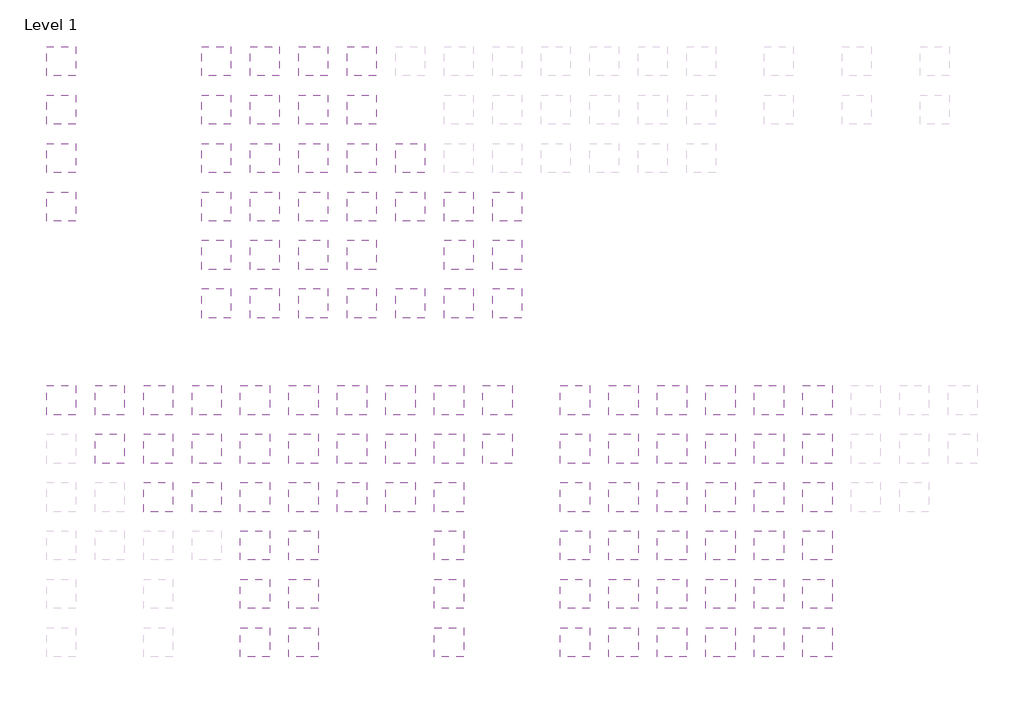
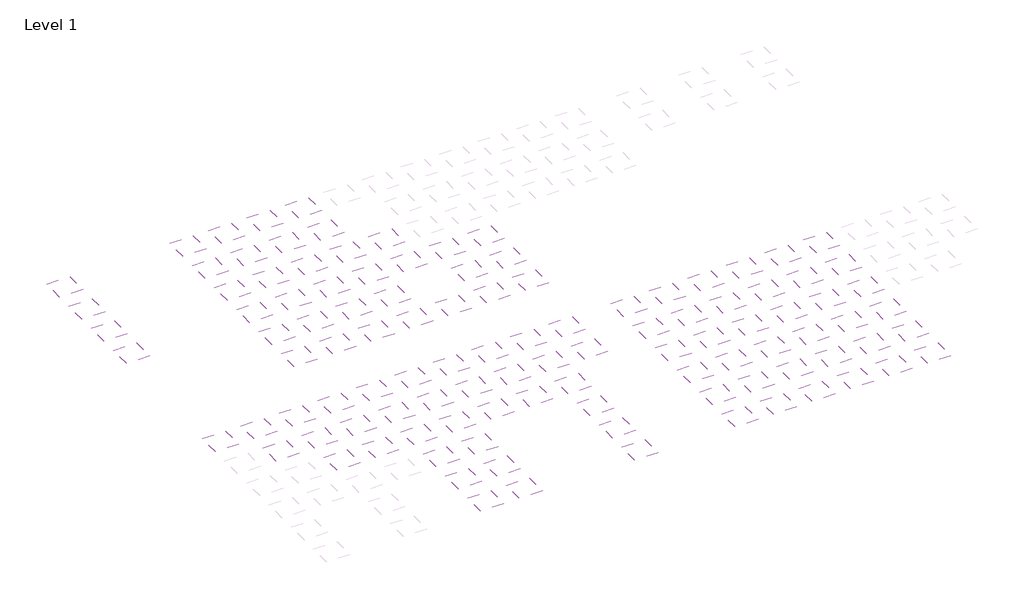
# One storey, part 7 of 90: 108 coverings.
"""IFC4 building model written with IfcOpenShell, lengths in millimetres."""

from ifc_helpers import new_model, si_unit, frame, origin, place, context, project, spatial, polyline, outline, extrude, element, save

model = new_model("IFC4")

# Units and contexts
model_context = context("Model", 3, world=origin())
ifc_project = project(units=[si_unit("LENGTHUNIT", "METRE", prefix="MILLI")], contexts=[model_context])

# Site, building, storey
site = spatial("IfcSite", under=ifc_project)
building = spatial("IfcBuilding", under=site)
storey = spatial("IfcBuildingStorey", under=building, Name="Level 1", Elevation=0.0)

# Coverings
placement = place(None, origin())
element("IfcCovering", 1, at=placement, inside=storey, context=model_context, shape_type="SweptSolid", body=[
    extrude(outline(polyline([(-14078.6111825, 27503.2440705), (-14078.6111825, 24503.2440705), (-17078.6111825, 24503.2440705), (-17078.6111825, 27503.2440705), (-14078.6111825, 27503.2440705)])), frame((0.0, 0.0, 2600.0), z_axis=(0.0, 0.0, 1.0), x_axis=(1.0, 0.0, 0.0)), (0.0, 0.0, 1.0), 38.0),
])
element("IfcCovering", 2, at=placement, inside=storey, context=model_context, shape_type="SweptSolid", body=[
    extrude(outline(polyline([(-4078.6111825, 27503.2440705), (-4078.6111825, 24503.2440705), (-7078.6111825, 24503.2440705), (-7078.6111825, 27503.2440705), (-4078.6111825, 27503.2440705)])), frame((0.0, 0.0, 2600.0), z_axis=(0.0, 0.0, 1.0), x_axis=(1.0, 0.0, 0.0)), (0.0, 0.0, 1.0), 38.0),
])
element("IfcCovering", 3, at=placement, inside=storey, context=model_context, shape_type="SweptSolid", body=[
    extrude(outline(polyline([(-4078.6111825, 17503.2440705), (-4078.6111825, 14503.2440705), (-7078.6111825, 14503.2440705), (-7078.6111825, 17503.2440705), (-4078.6111825, 17503.2440705)])), frame((0.0, 0.0, 2600.0), z_axis=(0.0, 0.0, 1.0), x_axis=(1.0, 0.0, 0.0)), (0.0, 0.0, 1.0), 38.0),
])
element("IfcCovering", 4, at=placement, inside=storey, context=model_context, shape_type="SweptSolid", body=[
    extrude(outline(polyline([(5921.3888175, 27503.2440705), (5921.3888175, 24503.2440705), (2921.3888175, 24503.2440705), (2921.3888175, 27503.2440705), (5921.3888175, 27503.2440705)])), frame((0.0, 0.0, 2600.0), z_axis=(0.0, 0.0, 1.0), x_axis=(1.0, 0.0, 0.0)), (0.0, 0.0, 1.0), 38.0),
])
element("IfcCovering", 5, at=placement, inside=storey, context=model_context, shape_type="SweptSolid", body=[
    extrude(outline(polyline([(5921.3888175, 17503.2440705), (5921.3888175, 14503.2440705), (2921.3888175, 14503.2440705), (2921.3888175, 17503.2440705), (5921.3888175, 17503.2440705)])), frame((0.0, 0.0, 2600.0), z_axis=(0.0, 0.0, 1.0), x_axis=(1.0, 0.0, 0.0)), (0.0, 0.0, 1.0), 38.0),
])
element("IfcCovering", 6, at=placement, inside=storey, context=model_context, shape_type="SweptSolid", body=[
    extrude(outline(polyline([(5921.3888175, 12503.2440705), (5921.3888175, 9503.2440705), (2921.3888175, 9503.2440705), (2921.3888175, 12503.2440705), (5921.3888175, 12503.2440705)])), frame((0.0, 0.0, 2600.0), z_axis=(0.0, 0.0, 1.0), x_axis=(1.0, 0.0, 0.0)), (0.0, 0.0, 1.0), 38.0),
])
element("IfcCovering", 7, at=placement, inside=storey, context=model_context, shape_type="SweptSolid", body=[
    extrude(outline(polyline([(5921.3888175, 2503.2440705), (5921.3888175, -496.7559295), (2921.3888175, -496.7559295), (2921.3888175, 2503.2440705), (5921.3888175, 2503.2440705)])), frame((0.0, 0.0, 2600.0), z_axis=(0.0, 0.0, 1.0), x_axis=(1.0, 0.0, 0.0)), (0.0, 0.0, 1.0), 38.0),
])
element("IfcCovering", 8, at=placement, inside=storey, context=model_context, shape_type="SweptSolid", body=[
    extrude(outline(polyline([(10921.3888175, 27503.2440705), (10921.3888175, 24503.2440705), (7921.3888175, 24503.2440705), (7921.3888175, 27503.2440705), (10921.3888175, 27503.2440705)])), frame((0.0, 0.0, 2600.0), z_axis=(0.0, 0.0, 1.0), x_axis=(1.0, 0.0, 0.0)), (0.0, 0.0, 1.0), 38.0),
])
element("IfcCovering", 9, at=placement, inside=storey, context=model_context, shape_type="SweptSolid", body=[
    extrude(outline(polyline([(10921.3888175, 17503.2440705), (10921.3888175, 14503.2440705), (7921.3888175, 14503.2440705), (7921.3888175, 17503.2440705), (10921.3888175, 17503.2440705)])), frame((0.0, 0.0, 2600.0), z_axis=(0.0, 0.0, 1.0), x_axis=(1.0, 0.0, 0.0)), (0.0, 0.0, 1.0), 38.0),
])
element("IfcCovering", 10, at=placement, inside=storey, context=model_context, shape_type="SweptSolid", body=[
    extrude(outline(polyline([(10921.3888175, 12503.2440705), (10921.3888175, 9503.2440705), (7921.3888175, 9503.2440705), (7921.3888175, 12503.2440705), (10921.3888175, 12503.2440705)])), frame((0.0, 0.0, 2600.0), z_axis=(0.0, 0.0, 1.0), x_axis=(1.0, 0.0, 0.0)), (0.0, 0.0, 1.0), 38.0),
])
element("IfcCovering", 11, at=placement, inside=storey, context=model_context, shape_type="SweptSolid", body=[
    extrude(outline(polyline([(10921.3888175, 2503.2440705), (10921.3888175, -496.7559295), (7921.3888175, -496.7559295), (7921.3888175, 2503.2440705), (10921.3888175, 2503.2440705)])), frame((0.0, 0.0, 2600.0), z_axis=(0.0, 0.0, 1.0), x_axis=(1.0, 0.0, 0.0)), (0.0, 0.0, 1.0), 38.0),
])
element("IfcCovering", 12, at=placement, inside=storey, context=model_context, shape_type="SweptSolid", body=[
    extrude(outline(polyline([(15921.3888175, 27503.2440705), (15921.3888175, 24503.2440705), (12921.3888175, 24503.2440705), (12921.3888175, 27503.2440705), (15921.3888175, 27503.2440705)])), frame((0.0, 0.0, 2600.0), z_axis=(0.0, 0.0, 1.0), x_axis=(1.0, 0.0, 0.0)), (0.0, 0.0, 1.0), 38.0),
])
element("IfcCovering", 13, at=placement, inside=storey, context=model_context, shape_type="SweptSolid", body=[
    extrude(outline(polyline([(15921.3888175, 17503.2440705), (15921.3888175, 14503.2440705), (12921.3888175, 14503.2440705), (12921.3888175, 17503.2440705), (15921.3888175, 17503.2440705)])), frame((0.0, 0.0, 2600.0), z_axis=(0.0, 0.0, 1.0), x_axis=(1.0, 0.0, 0.0)), (0.0, 0.0, 1.0), 38.0),
])
element("IfcCovering", 14, at=placement, inside=storey, context=model_context, shape_type="SweptSolid", body=[
    extrude(outline(polyline([(20921.3888175, 27503.2440705), (20921.3888175, 24503.2440705), (17921.3888175, 24503.2440705), (17921.3888175, 27503.2440705), (20921.3888175, 27503.2440705)])), frame((0.0, 0.0, 2600.0), z_axis=(0.0, 0.0, 1.0), x_axis=(1.0, 0.0, 0.0)), (0.0, 0.0, 1.0), 48.0),
])
element("IfcCovering", 15, at=placement, inside=storey, context=model_context, shape_type="SweptSolid", body=[
    extrude(outline(polyline([(20921.3888175, 17503.2440705), (20921.3888175, 14503.2440705), (17921.3888175, 14503.2440705), (17921.3888175, 17503.2440705), (20921.3888175, 17503.2440705)])), frame((0.0, 0.0, 2600.0), z_axis=(0.0, 0.0, 1.0), x_axis=(1.0, 0.0, 0.0)), (0.0, 0.0, 1.0), 48.0),
])
element("IfcCovering", 16, at=placement, inside=storey, context=model_context, shape_type="SweptSolid", body=[
    extrude(outline(polyline([(1921.3888175, 62503.2440705), (1921.3888175, 59503.2440705), (-1078.6111825, 59503.2440705), (-1078.6111825, 62503.2440705), (1921.3888175, 62503.2440705)])), frame((0.0, 0.0, 2600.0), z_axis=(0.0, 0.0, 1.0), x_axis=(1.0, 0.0, 0.0)), (0.0, 0.0, 1.0), 38.0),
])
element("IfcCovering", 17, at=placement, inside=storey, context=model_context, shape_type="SweptSolid", body=[
    extrude(outline(polyline([(1921.3888175, 57503.2440705), (1921.3888175, 54503.2440705), (-1078.6111825, 54503.2440705), (-1078.6111825, 57503.2440705), (1921.3888175, 57503.2440705)])), frame((0.0, 0.0, 2600.0), z_axis=(0.0, 0.0, 1.0), x_axis=(1.0, 0.0, 0.0)), (0.0, 0.0, 1.0), 38.0),
])
element("IfcCovering", 18, at=placement, inside=storey, context=model_context, shape_type="SweptSolid", body=[
    extrude(outline(polyline([(38921.3888175, 27503.2440705), (38921.3888175, 24503.2440705), (35921.3888175, 24503.2440705), (35921.3888175, 27503.2440705), (38921.3888175, 27503.2440705)])), frame((0.0, 0.0, 2600.0), z_axis=(0.0, 0.0, 1.0), x_axis=(1.0, 0.0, 0.0)), (0.0, 0.0, 1.0), 38.0),
])
element("IfcCovering", 19, at=placement, inside=storey, context=model_context, shape_type="SweptSolid", body=[
    extrude(outline(polyline([(38921.3888175, 17503.2440705), (38921.3888175, 14503.2440705), (35921.3888175, 14503.2440705), (35921.3888175, 17503.2440705), (38921.3888175, 17503.2440705)])), frame((0.0, 0.0, 2600.0), z_axis=(0.0, 0.0, 1.0), x_axis=(1.0, 0.0, 0.0)), (0.0, 0.0, 1.0), 38.0),
])
element("IfcCovering", 20, at=placement, inside=storey, context=model_context, shape_type="SweptSolid", body=[
    extrude(outline(polyline([(38921.3888175, 12503.2440705), (38921.3888175, 9503.2440705), (35921.3888175, 9503.2440705), (35921.3888175, 12503.2440705), (38921.3888175, 12503.2440705)])), frame((0.0, 0.0, 2600.0), z_axis=(0.0, 0.0, 1.0), x_axis=(1.0, 0.0, 0.0)), (0.0, 0.0, 1.0), 38.0),
])
element("IfcCovering", 21, at=placement, inside=storey, context=model_context, shape_type="SweptSolid", body=[
    extrude(outline(polyline([(38921.3888175, 2503.2440705), (38921.3888175, -496.7559295), (35921.3888175, -496.7559295), (35921.3888175, 2503.2440705), (38921.3888175, 2503.2440705)])), frame((0.0, 0.0, 2600.0), z_axis=(0.0, 0.0, 1.0), x_axis=(1.0, 0.0, 0.0)), (0.0, 0.0, 1.0), 38.0),
])
element("IfcCovering", 22, at=placement, inside=storey, context=model_context, shape_type="SweptSolid", body=[
    extrude(outline(polyline([(48921.3888175, 27503.2440705), (48921.3888175, 24503.2440705), (45921.3888175, 24503.2440705), (45921.3888175, 27503.2440705), (48921.3888175, 27503.2440705)])), frame((0.0, 0.0, 2600.0), z_axis=(0.0, 0.0, 1.0), x_axis=(1.0, 0.0, 0.0)), (0.0, 0.0, 1.0), 38.0),
])
element("IfcCovering", 23, at=placement, inside=storey, context=model_context, shape_type="SweptSolid", body=[
    extrude(outline(polyline([(48921.3888175, 17503.2440705), (48921.3888175, 14503.2440705), (45921.3888175, 14503.2440705), (45921.3888175, 17503.2440705), (48921.3888175, 17503.2440705)])), frame((0.0, 0.0, 2600.0), z_axis=(0.0, 0.0, 1.0), x_axis=(1.0, 0.0, 0.0)), (0.0, 0.0, 1.0), 38.0),
])
element("IfcCovering", 24, at=placement, inside=storey, context=model_context, shape_type="SweptSolid", body=[
    extrude(outline(polyline([(48921.3888175, 12503.2440705), (48921.3888175, 9503.2440705), (45921.3888175, 9503.2440705), (45921.3888175, 12503.2440705), (48921.3888175, 12503.2440705)])), frame((0.0, 0.0, 2600.0), z_axis=(0.0, 0.0, 1.0), x_axis=(1.0, 0.0, 0.0)), (0.0, 0.0, 1.0), 38.0),
])
element("IfcCovering", 25, at=placement, inside=storey, context=model_context, shape_type="SweptSolid", body=[
    extrude(outline(polyline([(48921.3888175, 2503.2440705), (48921.3888175, -496.7559295), (45921.3888175, -496.7559295), (45921.3888175, 2503.2440705), (48921.3888175, 2503.2440705)])), frame((0.0, 0.0, 2600.0), z_axis=(0.0, 0.0, 1.0), x_axis=(1.0, 0.0, 0.0)), (0.0, 0.0, 1.0), 38.0),
])
element("IfcCovering", 26, at=placement, inside=storey, context=model_context, shape_type="SweptSolid", body=[
    extrude(outline(polyline([(58921.3888175, 27503.2440705), (58921.3888175, 24503.2440705), (55921.3888175, 24503.2440705), (55921.3888175, 27503.2440705), (58921.3888175, 27503.2440705)])), frame((0.0, 0.0, 2600.0), z_axis=(0.0, 0.0, 1.0), x_axis=(1.0, 0.0, 0.0)), (0.0, 0.0, 1.0), 38.0),
])
element("IfcCovering", 27, at=placement, inside=storey, context=model_context, shape_type="SweptSolid", body=[
    extrude(outline(polyline([(58921.3888175, 17503.2440705), (58921.3888175, 14503.2440705), (55921.3888175, 14503.2440705), (55921.3888175, 17503.2440705), (58921.3888175, 17503.2440705)])), frame((0.0, 0.0, 2600.0), z_axis=(0.0, 0.0, 1.0), x_axis=(1.0, 0.0, 0.0)), (0.0, 0.0, 1.0), 38.0),
])
element("IfcCovering", 28, at=placement, inside=storey, context=model_context, shape_type="SweptSolid", body=[
    extrude(outline(polyline([(58921.3888175, 12503.2440705), (58921.3888175, 9503.2440705), (55921.3888175, 9503.2440705), (55921.3888175, 12503.2440705), (58921.3888175, 12503.2440705)])), frame((0.0, 0.0, 2600.0), z_axis=(0.0, 0.0, 1.0), x_axis=(1.0, 0.0, 0.0)), (0.0, 0.0, 1.0), 38.0),
])
element("IfcCovering", 29, at=placement, inside=storey, context=model_context, shape_type="SweptSolid", body=[
    extrude(outline(polyline([(58921.3888175, 2503.2440705), (58921.3888175, -496.7559295), (55921.3888175, -496.7559295), (55921.3888175, 2503.2440705), (58921.3888175, 2503.2440705)])), frame((0.0, 0.0, 2600.0), z_axis=(0.0, 0.0, 1.0), x_axis=(1.0, 0.0, 0.0)), (0.0, 0.0, 1.0), 38.0),
])
element("IfcCovering", 30, at=placement, inside=storey, context=model_context, shape_type="SweptSolid", body=[
    extrude(outline(polyline([(63921.3888175, 27503.2440705), (63921.3888175, 24503.2440705), (60921.3888175, 24503.2440705), (60921.3888175, 27503.2440705), (63921.3888175, 27503.2440705)])), frame((0.0, 0.0, 2600.0), z_axis=(0.0, 0.0, 1.0), x_axis=(1.0, 0.0, 0.0)), (0.0, 0.0, 1.0), 38.0),
])
element("IfcCovering", 31, at=placement, inside=storey, context=model_context, shape_type="SweptSolid", body=[
    extrude(outline(polyline([(63921.3888175, 17503.2440705), (63921.3888175, 14503.2440705), (60921.3888175, 14503.2440705), (60921.3888175, 17503.2440705), (63921.3888175, 17503.2440705)])), frame((0.0, 0.0, 2600.0), z_axis=(0.0, 0.0, 1.0), x_axis=(1.0, 0.0, 0.0)), (0.0, 0.0, 1.0), 38.0),
])
element("IfcCovering", 32, at=placement, inside=storey, context=model_context, shape_type="SweptSolid", body=[
    extrude(outline(polyline([(63921.3888175, 12503.2440705), (63921.3888175, 9503.2440705), (60921.3888175, 9503.2440705), (60921.3888175, 12503.2440705), (63921.3888175, 12503.2440705)])), frame((0.0, 0.0, 2600.0), z_axis=(0.0, 0.0, 1.0), x_axis=(1.0, 0.0, 0.0)), (0.0, 0.0, 1.0), 38.0),
])
element("IfcCovering", 33, at=placement, inside=storey, context=model_context, shape_type="SweptSolid", body=[
    extrude(outline(polyline([(63921.3888175, 2503.2440705), (63921.3888175, -496.7559295), (60921.3888175, -496.7559295), (60921.3888175, 2503.2440705), (63921.3888175, 2503.2440705)])), frame((0.0, 0.0, 2600.0), z_axis=(0.0, 0.0, 1.0), x_axis=(1.0, 0.0, 0.0)), (0.0, 0.0, 1.0), 38.0),
])
element("IfcCovering", 34, at=placement, inside=storey, context=model_context, shape_type="SweptSolid", body=[
    extrude(outline(polyline([(-4078.6111825, 22503.2440705), (-4078.6111825, 19503.2440705), (-7078.6111825, 19503.2440705), (-7078.6111825, 22503.2440705), (-4078.6111825, 22503.2440705)])), frame((0.0, 0.0, 2600.0), z_axis=(0.0, 0.0, 1.0), x_axis=(1.0, 0.0, 0.0)), (0.0, 0.0, 1.0), 38.0),
])
element("IfcCovering", 35, at=placement, inside=storey, context=model_context, shape_type="SweptSolid", body=[
    extrude(outline(polyline([(5921.3888175, 22503.2440705), (5921.3888175, 19503.2440705), (2921.3888175, 19503.2440705), (2921.3888175, 22503.2440705), (5921.3888175, 22503.2440705)])), frame((0.0, 0.0, 2600.0), z_axis=(0.0, 0.0, 1.0), x_axis=(1.0, 0.0, 0.0)), (0.0, 0.0, 1.0), 38.0),
])
element("IfcCovering", 36, at=placement, inside=storey, context=model_context, shape_type="SweptSolid", body=[
    extrude(outline(polyline([(10921.3888175, 22503.2440705), (10921.3888175, 19503.2440705), (7921.3888175, 19503.2440705), (7921.3888175, 22503.2440705), (10921.3888175, 22503.2440705)])), frame((0.0, 0.0, 2600.0), z_axis=(0.0, 0.0, 1.0), x_axis=(1.0, 0.0, 0.0)), (0.0, 0.0, 1.0), 38.0),
])
element("IfcCovering", 37, at=placement, inside=storey, context=model_context, shape_type="SweptSolid", body=[
    extrude(outline(polyline([(20921.3888175, 22503.2440705), (20921.3888175, 19503.2440705), (17921.3888175, 19503.2440705), (17921.3888175, 22503.2440705), (20921.3888175, 22503.2440705)])), frame((0.0, 0.0, 2600.0), z_axis=(0.0, 0.0, 1.0), x_axis=(1.0, 0.0, 0.0)), (0.0, 0.0, 1.0), 48.0),
])
element("IfcCovering", 38, at=placement, inside=storey, context=model_context, shape_type="SweptSolid", body=[
    extrude(outline(polyline([(5921.3888175, 7503.2440705), (5921.3888175, 4503.2440705), (2921.3888175, 4503.2440705), (2921.3888175, 7503.2440705), (5921.3888175, 7503.2440705)])), frame((0.0, 0.0, 2600.0), z_axis=(0.0, 0.0, 1.0), x_axis=(1.0, 0.0, 0.0)), (0.0, 0.0, 1.0), 38.0),
])
element("IfcCovering", 39, at=placement, inside=storey, context=model_context, shape_type="SweptSolid", body=[
    extrude(outline(polyline([(10921.3888175, 7503.2440705), (10921.3888175, 4503.2440705), (7921.3888175, 4503.2440705), (7921.3888175, 7503.2440705), (10921.3888175, 7503.2440705)])), frame((0.0, 0.0, 2600.0), z_axis=(0.0, 0.0, 1.0), x_axis=(1.0, 0.0, 0.0)), (0.0, 0.0, 1.0), 38.0),
])
element("IfcCovering", 40, at=placement, inside=storey, context=model_context, shape_type="SweptSolid", body=[
    extrude(outline(polyline([(15921.3888175, 22503.2440705), (15921.3888175, 19503.2440705), (12921.3888175, 19503.2440705), (12921.3888175, 22503.2440705), (15921.3888175, 22503.2440705)])), frame((0.0, 0.0, 2600.0), z_axis=(0.0, 0.0, 1.0), x_axis=(1.0, 0.0, 0.0)), (0.0, 0.0, 1.0), 38.0),
])
element("IfcCovering", 41, at=placement, inside=storey, context=model_context, shape_type="SweptSolid", body=[
    extrude(outline(polyline([(1921.3888175, 52503.2440705), (1921.3888175, 49503.2440705), (-1078.6111825, 49503.2440705), (-1078.6111825, 52503.2440705), (1921.3888175, 52503.2440705)])), frame((0.0, 0.0, 2600.0), z_axis=(0.0, 0.0, 1.0), x_axis=(1.0, 0.0, 0.0)), (0.0, 0.0, 1.0), 38.0),
])
element("IfcCovering", 42, at=placement, inside=storey, context=model_context, shape_type="SweptSolid", body=[
    extrude(outline(polyline([(1921.3888175, 47503.2440705), (1921.3888175, 44503.2440705), (-1078.6111825, 44503.2440705), (-1078.6111825, 47503.2440705), (1921.3888175, 47503.2440705)])), frame((0.0, 0.0, 2600.0), z_axis=(0.0, 0.0, 1.0), x_axis=(1.0, 0.0, 0.0)), (0.0, 0.0, 1.0), 38.0),
])
element("IfcCovering", 43, at=placement, inside=storey, context=model_context, shape_type="SweptSolid", body=[
    extrude(outline(polyline([(1921.3888175, 42503.2440705), (1921.3888175, 39503.2440705), (-1078.6111825, 39503.2440705), (-1078.6111825, 42503.2440705), (1921.3888175, 42503.2440705)])), frame((0.0, 0.0, 2600.0), z_axis=(0.0, 0.0, 1.0), x_axis=(1.0, 0.0, 0.0)), (0.0, 0.0, 1.0), 38.0),
])
element("IfcCovering", 44, at=placement, inside=storey, context=model_context, shape_type="SweptSolid", body=[
    extrude(outline(polyline([(1921.3888175, 37503.2440705), (1921.3888175, 34503.2440705), (-1078.6111825, 34503.2440705), (-1078.6111825, 37503.2440705), (1921.3888175, 37503.2440705)])), frame((0.0, 0.0, 2600.0), z_axis=(0.0, 0.0, 1.0), x_axis=(1.0, 0.0, 0.0)), (0.0, 0.0, 1.0), 38.0),
])
element("IfcCovering", 45, at=placement, inside=storey, context=model_context, shape_type="SweptSolid", body=[
    extrude(outline(polyline([(11921.3888175, 62503.2440705), (11921.3888175, 59503.2440705), (8921.3888175, 59503.2440705), (8921.3888175, 62503.2440705), (11921.3888175, 62503.2440705)])), frame((0.0, 0.0, 2600.0), z_axis=(0.0, 0.0, 1.0), x_axis=(1.0, 0.0, 0.0)), (0.0, 0.0, 1.0), 38.0),
])
element("IfcCovering", 46, at=placement, inside=storey, context=model_context, shape_type="SweptSolid", body=[
    extrude(outline(polyline([(11921.3888175, 57503.2440705), (11921.3888175, 54503.2440705), (8921.3888175, 54503.2440705), (8921.3888175, 57503.2440705), (11921.3888175, 57503.2440705)])), frame((0.0, 0.0, 2600.0), z_axis=(0.0, 0.0, 1.0), x_axis=(1.0, 0.0, 0.0)), (0.0, 0.0, 1.0), 38.0),
])
element("IfcCovering", 47, at=placement, inside=storey, context=model_context, shape_type="SweptSolid", body=[
    extrude(outline(polyline([(11921.3888175, 52503.2440705), (11921.3888175, 49503.2440705), (8921.3888175, 49503.2440705), (8921.3888175, 52503.2440705), (11921.3888175, 52503.2440705)])), frame((0.0, 0.0, 2600.0), z_axis=(0.0, 0.0, 1.0), x_axis=(1.0, 0.0, 0.0)), (0.0, 0.0, 1.0), 38.0),
])
element("IfcCovering", 48, at=placement, inside=storey, context=model_context, shape_type="SweptSolid", body=[
    extrude(outline(polyline([(11921.3888175, 47503.2440705), (11921.3888175, 44503.2440705), (8921.3888175, 44503.2440705), (8921.3888175, 47503.2440705), (11921.3888175, 47503.2440705)])), frame((0.0, 0.0, 2600.0), z_axis=(0.0, 0.0, 1.0), x_axis=(1.0, 0.0, 0.0)), (0.0, 0.0, 1.0), 38.0),
])
element("IfcCovering", 49, at=placement, inside=storey, context=model_context, shape_type="SweptSolid", body=[
    extrude(outline(polyline([(11921.3888175, 42503.2440705), (11921.3888175, 39503.2440705), (8921.3888175, 39503.2440705), (8921.3888175, 42503.2440705), (11921.3888175, 42503.2440705)])), frame((0.0, 0.0, 2600.0), z_axis=(0.0, 0.0, 1.0), x_axis=(1.0, 0.0, 0.0)), (0.0, 0.0, 1.0), 38.0),
])
element("IfcCovering", 50, at=placement, inside=storey, context=model_context, shape_type="SweptSolid", body=[
    extrude(outline(polyline([(11921.3888175, 37503.2440705), (11921.3888175, 34503.2440705), (8921.3888175, 34503.2440705), (8921.3888175, 37503.2440705), (11921.3888175, 37503.2440705)])), frame((0.0, 0.0, 2600.0), z_axis=(0.0, 0.0, 1.0), x_axis=(1.0, 0.0, 0.0)), (0.0, 0.0, 1.0), 38.0),
])
element("IfcCovering", 51, at=placement, inside=storey, context=model_context, shape_type="SweptSolid", body=[
    extrude(outline(polyline([(26921.3888175, 47503.2440705), (26921.3888175, 44503.2440705), (23921.3888175, 44503.2440705), (23921.3888175, 47503.2440705), (26921.3888175, 47503.2440705)])), frame((0.0, 0.0, 2600.0), z_axis=(0.0, 0.0, 1.0), x_axis=(1.0, 0.0, 0.0)), (0.0, 0.0, 1.0), 38.0),
])
element("IfcCovering", 52, at=placement, inside=storey, context=model_context, shape_type="SweptSolid", body=[
    extrude(outline(polyline([(26921.3888175, 42503.2440705), (26921.3888175, 39503.2440705), (23921.3888175, 39503.2440705), (23921.3888175, 42503.2440705), (26921.3888175, 42503.2440705)])), frame((0.0, 0.0, 2600.0), z_axis=(0.0, 0.0, 1.0), x_axis=(1.0, 0.0, 0.0)), (0.0, 0.0, 1.0), 38.0),
])
element("IfcCovering", 53, at=placement, inside=storey, context=model_context, shape_type="SweptSolid", body=[
    extrude(outline(polyline([(26921.3888175, 37503.2440705), (26921.3888175, 34503.2440705), (23921.3888175, 34503.2440705), (23921.3888175, 37503.2440705), (26921.3888175, 37503.2440705)])), frame((0.0, 0.0, 2600.0), z_axis=(0.0, 0.0, 1.0), x_axis=(1.0, 0.0, 0.0)), (0.0, 0.0, 1.0), 38.0),
])
element("IfcCovering", 54, at=placement, inside=storey, context=model_context, shape_type="SweptSolid", body=[
    extrude(outline(polyline([(31921.3888175, 47503.2440705), (31921.3888175, 44503.2440705), (28921.3888175, 44503.2440705), (28921.3888175, 47503.2440705), (31921.3888175, 47503.2440705)])), frame((0.0, 0.0, 2600.0), z_axis=(0.0, 0.0, 1.0), x_axis=(1.0, 0.0, 0.0)), (0.0, 0.0, 1.0), 38.0),
])
element("IfcCovering", 55, at=placement, inside=storey, context=model_context, shape_type="SweptSolid", body=[
    extrude(outline(polyline([(31921.3888175, 42503.2440705), (31921.3888175, 39503.2440705), (28921.3888175, 39503.2440705), (28921.3888175, 42503.2440705), (31921.3888175, 42503.2440705)])), frame((0.0, 0.0, 2600.0), z_axis=(0.0, 0.0, 1.0), x_axis=(1.0, 0.0, 0.0)), (0.0, 0.0, 1.0), 38.0),
])
element("IfcCovering", 56, at=placement, inside=storey, context=model_context, shape_type="SweptSolid", body=[
    extrude(outline(polyline([(31921.3888175, 37503.2440705), (31921.3888175, 34503.2440705), (28921.3888175, 34503.2440705), (28921.3888175, 37503.2440705), (31921.3888175, 37503.2440705)])), frame((0.0, 0.0, 2600.0), z_axis=(0.0, 0.0, 1.0), x_axis=(1.0, 0.0, 0.0)), (0.0, 0.0, 1.0), 38.0),
])
element("IfcCovering", 57, at=placement, inside=storey, context=model_context, shape_type="SweptSolid", body=[
    extrude(outline(polyline([(38921.3888175, 22503.2440705), (38921.3888175, 19503.2440705), (35921.3888175, 19503.2440705), (35921.3888175, 22503.2440705), (38921.3888175, 22503.2440705)])), frame((0.0, 0.0, 2600.0), z_axis=(0.0, 0.0, 1.0), x_axis=(1.0, 0.0, 0.0)), (0.0, 0.0, 1.0), 38.0),
])
element("IfcCovering", 58, at=placement, inside=storey, context=model_context, shape_type="SweptSolid", body=[
    extrude(outline(polyline([(48921.3888175, 22503.2440705), (48921.3888175, 19503.2440705), (45921.3888175, 19503.2440705), (45921.3888175, 22503.2440705), (48921.3888175, 22503.2440705)])), frame((0.0, 0.0, 2600.0), z_axis=(0.0, 0.0, 1.0), x_axis=(1.0, 0.0, 0.0)), (0.0, 0.0, 1.0), 38.0),
])
element("IfcCovering", 59, at=placement, inside=storey, context=model_context, shape_type="SweptSolid", body=[
    extrude(outline(polyline([(58921.3888175, 22503.2440705), (58921.3888175, 19503.2440705), (55921.3888175, 19503.2440705), (55921.3888175, 22503.2440705), (58921.3888175, 22503.2440705)])), frame((0.0, 0.0, 2600.0), z_axis=(0.0, 0.0, 1.0), x_axis=(1.0, 0.0, 0.0)), (0.0, 0.0, 1.0), 38.0),
])
element("IfcCovering", 60, at=placement, inside=storey, context=model_context, shape_type="SweptSolid", body=[
    extrude(outline(polyline([(63921.3888175, 22503.2440705), (63921.3888175, 19503.2440705), (60921.3888175, 19503.2440705), (60921.3888175, 22503.2440705), (63921.3888175, 22503.2440705)])), frame((0.0, 0.0, 2600.0), z_axis=(0.0, 0.0, 1.0), x_axis=(1.0, 0.0, 0.0)), (0.0, 0.0, 1.0), 38.0),
])
element("IfcCovering", 61, at=placement, inside=storey, context=model_context, shape_type="SweptSolid", body=[
    extrude(outline(polyline([(38921.3888175, 7503.2440705), (38921.3888175, 4503.2440705), (35921.3888175, 4503.2440705), (35921.3888175, 7503.2440705), (38921.3888175, 7503.2440705)])), frame((0.0, 0.0, 2600.0), z_axis=(0.0, 0.0, 1.0), x_axis=(1.0, 0.0, 0.0)), (0.0, 0.0, 1.0), 38.0),
])
element("IfcCovering", 62, at=placement, inside=storey, context=model_context, shape_type="SweptSolid", body=[
    extrude(outline(polyline([(48921.3888175, 7503.2440705), (48921.3888175, 4503.2440705), (45921.3888175, 4503.2440705), (45921.3888175, 7503.2440705), (48921.3888175, 7503.2440705)])), frame((0.0, 0.0, 2600.0), z_axis=(0.0, 0.0, 1.0), x_axis=(1.0, 0.0, 0.0)), (0.0, 0.0, 1.0), 38.0),
])
element("IfcCovering", 63, at=placement, inside=storey, context=model_context, shape_type="SweptSolid", body=[
    extrude(outline(polyline([(58921.3888175, 7503.2440705), (58921.3888175, 4503.2440705), (55921.3888175, 4503.2440705), (55921.3888175, 7503.2440705), (58921.3888175, 7503.2440705)])), frame((0.0, 0.0, 2600.0), z_axis=(0.0, 0.0, 1.0), x_axis=(1.0, 0.0, 0.0)), (0.0, 0.0, 1.0), 38.0),
])
element("IfcCovering", 64, at=placement, inside=storey, context=model_context, shape_type="SweptSolid", body=[
    extrude(outline(polyline([(63921.3888175, 7503.2440705), (63921.3888175, 4503.2440705), (60921.3888175, 4503.2440705), (60921.3888175, 7503.2440705), (63921.3888175, 7503.2440705)])), frame((0.0, 0.0, 2600.0), z_axis=(0.0, 0.0, 1.0), x_axis=(1.0, 0.0, 0.0)), (0.0, 0.0, 1.0), 38.0),
])
element("IfcCovering", 65, at=placement, inside=storey, context=model_context, shape_type="SweptSolid", body=[
    extrude(outline(polyline([(921.3888175, 27503.2440705), (921.3888175, 24503.2440705), (-2078.6111825, 24503.2440705), (-2078.6111825, 27503.2440705), (921.3888175, 27503.2440705)])), frame((0.0, 0.0, 2600.0), z_axis=(0.0, 0.0, 1.0), x_axis=(1.0, 0.0, 0.0)), (0.0, 0.0, 1.0), 38.0),
])
element("IfcCovering", 66, at=placement, inside=storey, context=model_context, shape_type="SweptSolid", body=[
    extrude(outline(polyline([(921.3888175, 22503.2440705), (921.3888175, 19503.2440705), (-2078.6111825, 19503.2440705), (-2078.6111825, 22503.2440705), (921.3888175, 22503.2440705)])), frame((0.0, 0.0, 2600.0), z_axis=(0.0, 0.0, 1.0), x_axis=(1.0, 0.0, 0.0)), (0.0, 0.0, 1.0), 38.0),
])
element("IfcCovering", 67, at=placement, inside=storey, context=model_context, shape_type="SweptSolid", body=[
    extrude(outline(polyline([(921.3888175, 17503.2440705), (921.3888175, 14503.2440705), (-2078.6111825, 14503.2440705), (-2078.6111825, 17503.2440705), (921.3888175, 17503.2440705)])), frame((0.0, 0.0, 2600.0), z_axis=(0.0, 0.0, 1.0), x_axis=(1.0, 0.0, 0.0)), (0.0, 0.0, 1.0), 38.0),
])
element("IfcCovering", 68, at=placement, inside=storey, context=model_context, shape_type="SweptSolid", body=[
    extrude(outline(polyline([(-9078.6111825, 27503.2440705), (-9078.6111825, 24503.2440705), (-12078.6111825, 24503.2440705), (-12078.6111825, 27503.2440705), (-9078.6111825, 27503.2440705)])), frame((0.0, 0.0, 2600.0), z_axis=(0.0, 0.0, 1.0), x_axis=(1.0, 0.0, 0.0)), (0.0, 0.0, 1.0), 38.0),
])
element("IfcCovering", 69, at=placement, inside=storey, context=model_context, shape_type="SweptSolid", body=[
    extrude(outline(polyline([(-9078.6111825, 22503.2440705), (-9078.6111825, 19503.2440705), (-12078.6111825, 19503.2440705), (-12078.6111825, 22503.2440705), (-9078.6111825, 22503.2440705)])), frame((0.0, 0.0, 2600.0), z_axis=(0.0, 0.0, 1.0), x_axis=(1.0, 0.0, 0.0)), (0.0, 0.0, 1.0), 38.0),
])
element("IfcCovering", 70, at=placement, inside=storey, context=model_context, shape_type="SweptSolid", body=[
    extrude(outline(polyline([(16921.3888175, 62503.2440705), (16921.3888175, 59503.2440705), (13921.3888175, 59503.2440705), (13921.3888175, 62503.2440705), (16921.3888175, 62503.2440705)])), frame((0.0, 0.0, 2600.0), z_axis=(0.0, 0.0, 1.0), x_axis=(1.0, 0.0, 0.0)), (0.0, 0.0, 1.0), 38.0),
])
element("IfcCovering", 71, at=placement, inside=storey, context=model_context, shape_type="SweptSolid", body=[
    extrude(outline(polyline([(16921.3888175, 52503.2440705), (16921.3888175, 49503.2440705), (13921.3888175, 49503.2440705), (13921.3888175, 52503.2440705), (16921.3888175, 52503.2440705)])), frame((0.0, 0.0, 2600.0), z_axis=(0.0, 0.0, 1.0), x_axis=(1.0, 0.0, 0.0)), (0.0, 0.0, 1.0), 38.0),
])
element("IfcCovering", 72, at=placement, inside=storey, context=model_context, shape_type="SweptSolid", body=[
    extrude(outline(polyline([(16921.3888175, 47503.2440705), (16921.3888175, 44503.2440705), (13921.3888175, 44503.2440705), (13921.3888175, 47503.2440705), (16921.3888175, 47503.2440705)])), frame((0.0, 0.0, 2600.0), z_axis=(0.0, 0.0, 1.0), x_axis=(1.0, 0.0, 0.0)), (0.0, 0.0, 1.0), 38.0),
])
element("IfcCovering", 73, at=placement, inside=storey, context=model_context, shape_type="SweptSolid", body=[
    extrude(outline(polyline([(16921.3888175, 37503.2440705), (16921.3888175, 34503.2440705), (13921.3888175, 34503.2440705), (13921.3888175, 37503.2440705), (16921.3888175, 37503.2440705)])), frame((0.0, 0.0, 2600.0), z_axis=(0.0, 0.0, 1.0), x_axis=(1.0, 0.0, 0.0)), (0.0, 0.0, 1.0), 38.0),
])
element("IfcCovering", 74, at=placement, inside=storey, context=model_context, shape_type="SweptSolid", body=[
    extrude(outline(polyline([(6921.3888175, 62503.2440705), (6921.3888175, 59503.2440705), (3921.3888175, 59503.2440705), (3921.3888175, 62503.2440705), (6921.3888175, 62503.2440705)])), frame((0.0, 0.0, 2600.0), z_axis=(0.0, 0.0, 1.0), x_axis=(1.0, 0.0, 0.0)), (0.0, 0.0, 1.0), 38.0),
])
element("IfcCovering", 75, at=placement, inside=storey, context=model_context, shape_type="SweptSolid", body=[
    extrude(outline(polyline([(6921.3888175, 52503.2440705), (6921.3888175, 49503.2440705), (3921.3888175, 49503.2440705), (3921.3888175, 52503.2440705), (6921.3888175, 52503.2440705)])), frame((0.0, 0.0, 2600.0), z_axis=(0.0, 0.0, 1.0), x_axis=(1.0, 0.0, 0.0)), (0.0, 0.0, 1.0), 38.0),
])
element("IfcCovering", 76, at=placement, inside=storey, context=model_context, shape_type="SweptSolid", body=[
    extrude(outline(polyline([(6921.3888175, 47503.2440705), (6921.3888175, 44503.2440705), (3921.3888175, 44503.2440705), (3921.3888175, 47503.2440705), (6921.3888175, 47503.2440705)])), frame((0.0, 0.0, 2600.0), z_axis=(0.0, 0.0, 1.0), x_axis=(1.0, 0.0, 0.0)), (0.0, 0.0, 1.0), 38.0),
])
element("IfcCovering", 77, at=placement, inside=storey, context=model_context, shape_type="SweptSolid", body=[
    extrude(outline(polyline([(6921.3888175, 37503.2440705), (6921.3888175, 34503.2440705), (3921.3888175, 34503.2440705), (3921.3888175, 37503.2440705), (6921.3888175, 37503.2440705)])), frame((0.0, 0.0, 2600.0), z_axis=(0.0, 0.0, 1.0), x_axis=(1.0, 0.0, 0.0)), (0.0, 0.0, 1.0), 38.0),
])
element("IfcCovering", 78, at=placement, inside=storey, context=model_context, shape_type="SweptSolid", body=[
    extrude(outline(polyline([(53921.3888175, 27503.2440705), (53921.3888175, 24503.2440705), (50921.3888175, 24503.2440705), (50921.3888175, 27503.2440705), (53921.3888175, 27503.2440705)])), frame((0.0, 0.0, 2600.0), z_axis=(0.0, 0.0, 1.0), x_axis=(1.0, 0.0, 0.0)), (0.0, 0.0, 1.0), 38.0),
])
element("IfcCovering", 79, at=placement, inside=storey, context=model_context, shape_type="SweptSolid", body=[
    extrude(outline(polyline([(53921.3888175, 17503.2440705), (53921.3888175, 14503.2440705), (50921.3888175, 14503.2440705), (50921.3888175, 17503.2440705), (53921.3888175, 17503.2440705)])), frame((0.0, 0.0, 2600.0), z_axis=(0.0, 0.0, 1.0), x_axis=(1.0, 0.0, 0.0)), (0.0, 0.0, 1.0), 38.0),
])
element("IfcCovering", 80, at=placement, inside=storey, context=model_context, shape_type="SweptSolid", body=[
    extrude(outline(polyline([(53921.3888175, 12503.2440705), (53921.3888175, 9503.2440705), (50921.3888175, 9503.2440705), (50921.3888175, 12503.2440705), (53921.3888175, 12503.2440705)])), frame((0.0, 0.0, 2600.0), z_axis=(0.0, 0.0, 1.0), x_axis=(1.0, 0.0, 0.0)), (0.0, 0.0, 1.0), 38.0),
])
element("IfcCovering", 81, at=placement, inside=storey, context=model_context, shape_type="SweptSolid", body=[
    extrude(outline(polyline([(53921.3888175, 2503.2440705), (53921.3888175, -496.7559295), (50921.3888175, -496.7559295), (50921.3888175, 2503.2440705), (53921.3888175, 2503.2440705)])), frame((0.0, 0.0, 2600.0), z_axis=(0.0, 0.0, 1.0), x_axis=(1.0, 0.0, 0.0)), (0.0, 0.0, 1.0), 38.0),
])
element("IfcCovering", 82, at=placement, inside=storey, context=model_context, shape_type="SweptSolid", body=[
    extrude(outline(polyline([(53921.3888175, 22503.2440705), (53921.3888175, 19503.2440705), (50921.3888175, 19503.2440705), (50921.3888175, 22503.2440705), (53921.3888175, 22503.2440705)])), frame((0.0, 0.0, 2600.0), z_axis=(0.0, 0.0, 1.0), x_axis=(1.0, 0.0, 0.0)), (0.0, 0.0, 1.0), 38.0),
])
element("IfcCovering", 83, at=placement, inside=storey, context=model_context, shape_type="SweptSolid", body=[
    extrude(outline(polyline([(53921.3888175, 7503.2440705), (53921.3888175, 4503.2440705), (50921.3888175, 4503.2440705), (50921.3888175, 7503.2440705), (53921.3888175, 7503.2440705)])), frame((0.0, 0.0, 2600.0), z_axis=(0.0, 0.0, 1.0), x_axis=(1.0, 0.0, 0.0)), (0.0, 0.0, 1.0), 38.0),
])
element("IfcCovering", 84, at=placement, inside=storey, context=model_context, shape_type="SweptSolid", body=[
    extrude(outline(polyline([(43921.3888175, 27503.2440705), (43921.3888175, 24503.2440705), (40921.3888175, 24503.2440705), (40921.3888175, 27503.2440705), (43921.3888175, 27503.2440705)])), frame((0.0, 0.0, 2600.0), z_axis=(0.0, 0.0, 1.0), x_axis=(1.0, 0.0, 0.0)), (0.0, 0.0, 1.0), 38.0),
])
element("IfcCovering", 85, at=placement, inside=storey, context=model_context, shape_type="SweptSolid", body=[
    extrude(outline(polyline([(43921.3888175, 17503.2440705), (43921.3888175, 14503.2440705), (40921.3888175, 14503.2440705), (40921.3888175, 17503.2440705), (43921.3888175, 17503.2440705)])), frame((0.0, 0.0, 2600.0), z_axis=(0.0, 0.0, 1.0), x_axis=(1.0, 0.0, 0.0)), (0.0, 0.0, 1.0), 38.0),
])
element("IfcCovering", 86, at=placement, inside=storey, context=model_context, shape_type="SweptSolid", body=[
    extrude(outline(polyline([(43921.3888175, 12503.2440705), (43921.3888175, 9503.2440705), (40921.3888175, 9503.2440705), (40921.3888175, 12503.2440705), (43921.3888175, 12503.2440705)])), frame((0.0, 0.0, 2600.0), z_axis=(0.0, 0.0, 1.0), x_axis=(1.0, 0.0, 0.0)), (0.0, 0.0, 1.0), 38.0),
])
element("IfcCovering", 87, at=placement, inside=storey, context=model_context, shape_type="SweptSolid", body=[
    extrude(outline(polyline([(43921.3888175, 2503.2440705), (43921.3888175, -496.7559295), (40921.3888175, -496.7559295), (40921.3888175, 2503.2440705), (43921.3888175, 2503.2440705)])), frame((0.0, 0.0, 2600.0), z_axis=(0.0, 0.0, 1.0), x_axis=(1.0, 0.0, 0.0)), (0.0, 0.0, 1.0), 38.0),
])
element("IfcCovering", 88, at=placement, inside=storey, context=model_context, shape_type="SweptSolid", body=[
    extrude(outline(polyline([(43921.3888175, 22503.2440705), (43921.3888175, 19503.2440705), (40921.3888175, 19503.2440705), (40921.3888175, 22503.2440705), (43921.3888175, 22503.2440705)])), frame((0.0, 0.0, 2600.0), z_axis=(0.0, 0.0, 1.0), x_axis=(1.0, 0.0, 0.0)), (0.0, 0.0, 1.0), 38.0),
])
element("IfcCovering", 89, at=placement, inside=storey, context=model_context, shape_type="SweptSolid", body=[
    extrude(outline(polyline([(43921.3888175, 7503.2440705), (43921.3888175, 4503.2440705), (40921.3888175, 4503.2440705), (40921.3888175, 7503.2440705), (43921.3888175, 7503.2440705)])), frame((0.0, 0.0, 2600.0), z_axis=(0.0, 0.0, 1.0), x_axis=(1.0, 0.0, 0.0)), (0.0, 0.0, 1.0), 38.0),
])
element("IfcCovering", 90, at=placement, inside=storey, context=model_context, shape_type="SweptSolid", body=[
    extrude(outline(polyline([(25921.3888175, 27503.2440705), (25921.3888175, 24503.2440705), (22921.3888175, 24503.2440705), (22921.3888175, 27503.2440705), (25921.3888175, 27503.2440705)])), frame((0.0, 0.0, 2600.0), z_axis=(0.0, 0.0, 1.0), x_axis=(1.0, 0.0, 0.0)), (0.0, 0.0, 1.0), 105.0),
])
element("IfcCovering", 91, at=placement, inside=storey, context=model_context, shape_type="SweptSolid", body=[
    extrude(outline(polyline([(25921.3888175, 17503.2440705), (25921.3888175, 14503.2440705), (22921.3888175, 14503.2440705), (22921.3888175, 17503.2440705), (25921.3888175, 17503.2440705)])), frame((0.0, 0.0, 2600.0), z_axis=(0.0, 0.0, 1.0), x_axis=(1.0, 0.0, 0.0)), (0.0, 0.0, 1.0), 105.0),
])
element("IfcCovering", 92, at=placement, inside=storey, context=model_context, shape_type="SweptSolid", body=[
    extrude(outline(polyline([(25921.3888175, 22503.2440705), (25921.3888175, 19503.2440705), (22921.3888175, 19503.2440705), (22921.3888175, 22503.2440705), (25921.3888175, 22503.2440705)])), frame((0.0, 0.0, 2600.0), z_axis=(0.0, 0.0, 1.0), x_axis=(1.0, 0.0, 0.0)), (0.0, 0.0, 1.0), 105.0),
])
element("IfcCovering", 93, at=placement, inside=storey, context=model_context, shape_type="SweptSolid", body=[
    extrude(outline(polyline([(30921.3888175, 27503.2440705), (30921.3888175, 24503.2440705), (27921.3888175, 24503.2440705), (27921.3888175, 27503.2440705), (30921.3888175, 27503.2440705)])), frame((0.0, 0.0, 2600.0), z_axis=(0.0, 0.0, 1.0), x_axis=(1.0, 0.0, 0.0)), (0.0, 0.0, 1.0), 105.0),
])
element("IfcCovering", 94, at=placement, inside=storey, context=model_context, shape_type="SweptSolid", body=[
    extrude(outline(polyline([(30921.3888175, 22503.2440705), (30921.3888175, 19503.2440705), (27921.3888175, 19503.2440705), (27921.3888175, 22503.2440705), (30921.3888175, 22503.2440705)])), frame((0.0, 0.0, 2600.0), z_axis=(0.0, 0.0, 1.0), x_axis=(1.0, 0.0, 0.0)), (0.0, 0.0, 1.0), 105.0),
])
element("IfcCovering", 95, at=placement, inside=storey, context=model_context, shape_type="SweptSolid", body=[
    extrude(outline(polyline([(21921.3888175, 52503.2440705), (21921.3888175, 49503.2440705), (18921.3888175, 49503.2440705), (18921.3888175, 52503.2440705), (21921.3888175, 52503.2440705)])), frame((0.0, 0.0, 2600.0), z_axis=(0.0, 0.0, 1.0), x_axis=(1.0, 0.0, 0.0)), (0.0, 0.0, 1.0), 38.0),
])
element("IfcCovering", 96, at=placement, inside=storey, context=model_context, shape_type="SweptSolid", body=[
    extrude(outline(polyline([(21921.3888175, 47503.2440705), (21921.3888175, 44503.2440705), (18921.3888175, 44503.2440705), (18921.3888175, 47503.2440705), (21921.3888175, 47503.2440705)])), frame((0.0, 0.0, 2600.0), z_axis=(0.0, 0.0, 1.0), x_axis=(1.0, 0.0, 0.0)), (0.0, 0.0, 1.0), 38.0),
])
element("IfcCovering", 97, at=placement, inside=storey, context=model_context, shape_type="SweptSolid", body=[
    extrude(outline(polyline([(21921.3888175, 37503.2440705), (21921.3888175, 34503.2440705), (18921.3888175, 34503.2440705), (18921.3888175, 37503.2440705), (21921.3888175, 37503.2440705)])), frame((0.0, 0.0, 2600.0), z_axis=(0.0, 0.0, 1.0), x_axis=(1.0, 0.0, 0.0)), (0.0, 0.0, 1.0), 38.0),
])
element("IfcCovering", 98, at=placement, inside=storey, context=model_context, shape_type="SweptSolid", body=[
    extrude(outline(polyline([(25921.3888175, 12503.2440705), (25921.3888175, 9503.2440705), (22921.3888175, 9503.2440705), (22921.3888175, 12503.2440705), (25921.3888175, 12503.2440705)])), frame((0.0, 0.0, 2600.0), z_axis=(0.0, 0.0, 1.0), x_axis=(1.0, 0.0, 0.0)), (0.0, 0.0, 1.0), 105.0),
])
element("IfcCovering", 99, at=placement, inside=storey, context=model_context, shape_type="SweptSolid", body=[
    extrude(outline(polyline([(25921.3888175, 2503.2440705), (25921.3888175, -496.7559295), (22921.3888175, -496.7559295), (22921.3888175, 2503.2440705), (25921.3888175, 2503.2440705)])), frame((0.0, 0.0, 2600.0), z_axis=(0.0, 0.0, 1.0), x_axis=(1.0, 0.0, 0.0)), (0.0, 0.0, 1.0), 105.0),
])
element("IfcCovering", 100, at=placement, inside=storey, context=model_context, shape_type="SweptSolid", body=[
    extrude(outline(polyline([(25921.3888175, 7503.2440705), (25921.3888175, 4503.2440705), (22921.3888175, 4503.2440705), (22921.3888175, 7503.2440705), (25921.3888175, 7503.2440705)])), frame((0.0, 0.0, 2600.0), z_axis=(0.0, 0.0, 1.0), x_axis=(1.0, 0.0, 0.0)), (0.0, 0.0, 1.0), 105.0),
])
element("IfcCovering", 101, at=placement, inside=storey, context=model_context, shape_type="SweptSolid", body=[
    extrude(outline(polyline([(-14078.6111825, 62503.2440705), (-14078.6111825, 59503.2440705), (-17078.6111825, 59503.2440705), (-17078.6111825, 62503.2440705), (-14078.6111825, 62503.2440705)])), frame((0.0, 0.0, 2600.0), z_axis=(0.0, 0.0, 1.0), x_axis=(1.0, 0.0, 0.0)), (0.0, 0.0, 1.0), 38.0),
])
element("IfcCovering", 102, at=placement, inside=storey, context=model_context, shape_type="SweptSolid", body=[
    extrude(outline(polyline([(-14078.6111825, 57503.2440705), (-14078.6111825, 54503.2440705), (-17078.6111825, 54503.2440705), (-17078.6111825, 57503.2440705), (-14078.6111825, 57503.2440705)])), frame((0.0, 0.0, 2600.0), z_axis=(0.0, 0.0, 1.0), x_axis=(1.0, 0.0, 0.0)), (0.0, 0.0, 1.0), 38.0),
])
element("IfcCovering", 103, at=placement, inside=storey, context=model_context, shape_type="SweptSolid", body=[
    extrude(outline(polyline([(-14078.6111825, 52503.2440705), (-14078.6111825, 49503.2440705), (-17078.6111825, 49503.2440705), (-17078.6111825, 52503.2440705), (-14078.6111825, 52503.2440705)])), frame((0.0, 0.0, 2600.0), z_axis=(0.0, 0.0, 1.0), x_axis=(1.0, 0.0, 0.0)), (0.0, 0.0, 1.0), 38.0),
])
element("IfcCovering", 104, at=placement, inside=storey, context=model_context, shape_type="SweptSolid", body=[
    extrude(outline(polyline([(-14078.6111825, 47503.2440705), (-14078.6111825, 44503.2440705), (-17078.6111825, 44503.2440705), (-17078.6111825, 47503.2440705), (-14078.6111825, 47503.2440705)])), frame((0.0, 0.0, 2600.0), z_axis=(0.0, 0.0, 1.0), x_axis=(1.0, 0.0, 0.0)), (0.0, 0.0, 1.0), 38.0),
])
element("IfcCovering", 105, at=placement, inside=storey, context=model_context, shape_type="SweptSolid", body=[
    extrude(outline(polyline([(6921.3888175, 57503.2440705), (6921.3888175, 54503.2440705), (3921.3888175, 54503.2440705), (3921.3888175, 57503.2440705), (6921.3888175, 57503.2440705)])), frame((0.0, 0.0, 2600.0), z_axis=(0.0, 0.0, 1.0), x_axis=(1.0, 0.0, 0.0)), (0.0, 0.0, 1.0), 38.0),
])
element("IfcCovering", 106, at=placement, inside=storey, context=model_context, shape_type="SweptSolid", body=[
    extrude(outline(polyline([(16921.3888175, 57503.2440705), (16921.3888175, 54503.2440705), (13921.3888175, 54503.2440705), (13921.3888175, 57503.2440705), (16921.3888175, 57503.2440705)])), frame((0.0, 0.0, 2600.0), z_axis=(0.0, 0.0, 1.0), x_axis=(1.0, 0.0, 0.0)), (0.0, 0.0, 1.0), 38.0),
])
element("IfcCovering", 107, at=placement, inside=storey, context=model_context, shape_type="SweptSolid", body=[
    extrude(outline(polyline([(6921.3888175, 42503.2440705), (6921.3888175, 39503.2440705), (3921.3888175, 39503.2440705), (3921.3888175, 42503.2440705), (6921.3888175, 42503.2440705)])), frame((0.0, 0.0, 2600.0), z_axis=(0.0, 0.0, 1.0), x_axis=(1.0, 0.0, 0.0)), (0.0, 0.0, 1.0), 38.0),
])
element("IfcCovering", 108, at=placement, inside=storey, context=model_context, shape_type="SweptSolid", body=[
    extrude(outline(polyline([(16921.3888175, 42503.2440705), (16921.3888175, 39503.2440705), (13921.3888175, 39503.2440705), (13921.3888175, 42503.2440705), (16921.3888175, 42503.2440705)])), frame((0.0, 0.0, 2600.0), z_axis=(0.0, 0.0, 1.0), x_axis=(1.0, 0.0, 0.0)), (0.0, 0.0, 1.0), 38.0),
])

save(model, "model.ifc")
